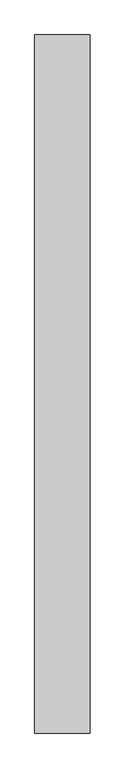
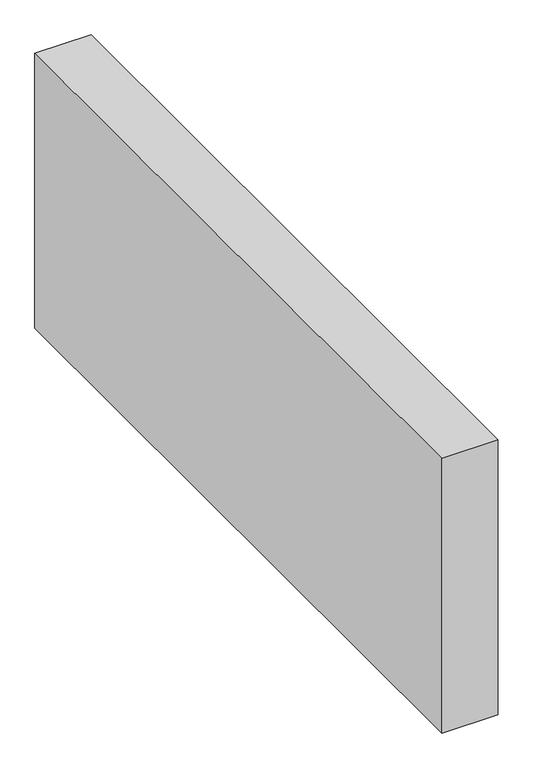
"""IFC4 building model written with IfcOpenShell, lengths in millimetres: proxy geometry."""

from ifc_helpers import new_model, si_unit, origin, origin_with_axes, place, context, project, spatial, polyline, outline, extrude, source, transform, mapped, element, save


def generic_models_467c5e7a(model_context):
    return source(origin(), model_context, "Body", "SweptSolid", [
        extrude(outline(polyline([(150.0, 1886.176918), (150.0, 0.0), (0.0, 0.0), (0.0, 1886.176918), (150.0, 1886.176918)])), origin_with_axes(), (0.0, 0.0, 1.0), 776.6553396),
    ])


if __name__ == "__main__":
    model = new_model("IFC4")
    model_context = context("Model", 3, world=origin())
    ifc_project = project(units=[si_unit("LENGTHUNIT", "METRE", prefix="MILLI")], contexts=[model_context])
    site = spatial("IfcSite", under=ifc_project)
    building = spatial("IfcBuilding", under=site)
    placement = place(None, origin())
    generic_models_shape = generic_models_467c5e7a(model_context)
    element("IfcBuildingElementProxy", 1, Name="Generic Models", at=placement, inside=building, context=model_context, shape_type="MappedRepresentation", body=[
        mapped(generic_models_shape, transform((0.0, 0.0, 0.0), x_axis=(1.0, 0.0, 0.0), y_axis=(0.0, 1.0, 0.0), z_axis=(0.0, 0.0, 1.0))),
    ])
    save(model, "model.ifc")
